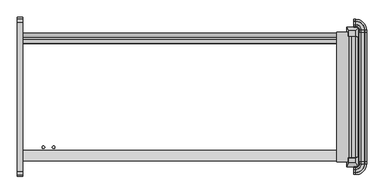
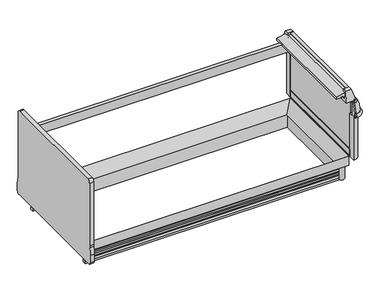
"""IFC4 building model written with IfcOpenShell, lengths in millimetres: proxy geometry."""

from ifc_helpers import new_model, si_unit, point, frame, frame_2d, origin, origin_with_axes, place, context, project, spatial, polyline, circle_curve, ellipse_curve, trimmed, segment, composite_curve, outline, extrude, faceted_brep, source, transform, mapped, element, save
from ifc_brep_helpers import plane_surface, cylinder_surface, revolved_surface, advanced_brep


def mechanical_equipment_1709b1f6(model_context):
    return source(origin(), model_context, "Body", "SolidModel", [
        faceted_brep([(2447.2225341, -1407.9898987, 887.830185), (2447.2225341, -1369.8898987, 887.830185), (2396.4225341, -1369.8898987, 887.830185), (2396.4225341, -1407.9898987, 887.830185), (2473.5736504, -1434.8571273, 789.5616491), (2385.8530658, -1434.8571273, 789.5616491), (2385.8530658, -1361.5806673, 789.5616491), (2473.5736504, -1361.5806673, 789.5616491)], [[[0, 1, 2, 3]], [[4, 5, 6, 7]], [[5, 4, 0, 3]], [[6, 5, 3, 2]], [[7, 6, 2, 1]], [[4, 7, 1, 0]]]),
        advanced_brep(
        [(2517.0448888, -441.4213458, 685.0123617), (2515.3991151, -441.4213458, 652.3000491), (2517.0448888, -427.271097, 685.0123617), (2515.3991151, -427.271097, 652.3000491), (2453.0679207, -364.9399026, 652.3000491), (2453.0679207, -363.2941289, 685.0123617), (2438.4, -363.2941289, 685.0123617), (2438.4, -364.9399026, 652.3000491)],
        [
            (0, 1),
            (1, 0, circle_curve(frame((2515.676553, -441.4213458, 668.6836472), z_axis=(0.0, -1.0, 0.0), x_axis=(-1.0, 0.0, 0.0)), 16.385947)),
            (0, 2),
            (2, 3),
            (3, 1),
            (3, 2, circle_curve(frame((2515.676553, -427.271097, 668.6836472), z_axis=(0.0, -1.0, 0.0), x_axis=(-1.0, 0.0, 0.0)), 16.385947)),
            (4, 3, circle_curve(frame((2453.0679207, -427.271097, 652.3000491), z_axis=(0.0, 0.0, -1.0), x_axis=(1.0, 0.0, 0.0)), 62.3311944)),
            (2, 5, circle_curve(frame((2453.0679207, -427.271097, 685.0123617), z_axis=(0.0, 0.0, 1.0), x_axis=(1.0, 0.0, 0.0)), 63.9769681)),
            (5, 4),
            (4, 5, circle_curve(frame((2453.0679207, -364.6624647, 668.6836472), z_axis=(1.0, 0.0, 0.0), x_axis=(0.0, -1.0, 0.0)), 16.385947)),
            (6, 7, circle_curve(frame((2438.4, -364.6624647, 668.6836472), z_axis=(-1.0, 0.0, 0.0), x_axis=(0.0, -1.0, 0.0)), 16.385947)),
            (7, 6),
            (5, 6),
            (7, 4),
        ],
        [
            plane_surface(frame((2532.0625, -441.4213458, 0.0), z_axis=(0.0, -1.0, 0.0), x_axis=(0.0, 0.0, 1.0))),
            plane_surface(frame((2517.0448888, -441.4213458, 685.0123617), z_axis=(-0.9987368228727785, 0.0, 0.05024697640642828), x_axis=(0.0, 1.0, 0.0))),
            cylinder_surface(frame((2515.676553, -441.4213458, 668.6836472), z_axis=(0.0, -1.0, 0.0), x_axis=(-1.0, 0.0, 0.0)), 16.385947),
            revolved_surface(polyline([(2517.0448888, -427.271097, 685.0123617), (2515.3991151, -427.271097, 652.3000491)]), (2453.0679207, -427.271097, 0.0), (0.0, 0.0, 1.0)),
            revolved_surface(trimmed(ellipse_curve(frame((2515.676553, -427.271097, 668.6836472), z_axis=(0.0, -1.0, 0.0), x_axis=(-1.0, 0.0, 0.0)), 16.385947, 16.385947), [point((2515.3991151, -427.271097, 652.3000491))], [point((2517.0448888, -427.271097, 685.0123617))], True, "CARTESIAN"), (2453.0679207, -427.271097, 0.0), (0.0, 0.0, 1.0)),
            plane_surface(frame((2438.4, -348.2765176, 0.0), z_axis=(-1.0, 0.0, 0.0), x_axis=(0.0, 0.0, 1.0))),
            plane_surface(frame((2453.0679207, -363.2941289, 685.0123617), z_axis=(0.0, -0.9987368228727785, 0.05024697640642828), x_axis=(-1.0, 0.0, 0.0))),
            cylinder_surface(frame((2453.0679207, -364.6624647, 668.6836472), z_axis=(1.0, 0.0, 0.0), x_axis=(0.0, -1.0, 0.0)), 16.385947),
        ],
        [
            (0, [[1, 2]]),
            (1, [[-1, 3, 4, 5]]),
            (2, [[-2, -5, 6, -3]]),
            (3, [[7, -4, 8, 9]]),
            (4, [[-8, -6, -7, 10]]),
            (5, [[11, 12]]),
            (6, [[-9, 13, -12, 14]]),
            (7, [[-10, -14, -11, -13]]),
        ],
    ),
        extrude(outline(composite_curve([segment(polyline([(2438.4, -441.4213458), (2438.4, -380.4372292)]), True, "CONTINUOUS"), segment(trimmed(circle_curve(frame_2d((2438.4, -441.4213458)), 60.9841166), [point((2438.4, -380.4372292))], [point((2499.3841166, -441.4213458))], False, "CARTESIAN"), True, "CONTINUOUS"), segment(polyline([(2499.3841166, -441.4213458), (2438.4, -441.4213458)]), True, "CONTINUOUS")], self_intersect=False)), frame((0.0, 0.0, 226.1000374), z_axis=(0.0, 0.0, 1.0), x_axis=(1.0, 0.0, 0.0)), (0.0, 0.0, 1.0), 424.6252116),
        advanced_brep(
        [(2479.4624683, -441.4213458, 789.5616491), (2466.694269, -441.4213458, 789.5616491), (2478.3930904, -441.4213458, 752.5993877), (2478.3930904, -441.4213458, 650.7252491), (2513.8243151, -441.4213458, 650.7252491), (2515.3991151, -441.4213458, 652.3000491), (2517.0448888, -441.4213458, 685.0123617), (2493.8738542, -441.4213458, 780.3445453), (2479.4624683, -427.271097, 789.5616491), (2453.0679207, -400.8765493, 789.5616491), (2438.4, -400.8765493, 789.5616491), (2438.4, -413.6447486, 789.5616491), (2453.0679207, -413.6447486, 789.5616491), (2466.694269, -427.271097, 789.5616491), (2478.3930904, -427.271097, 752.5993877), (2478.3930904, -427.271097, 650.7252491), (2453.0679207, -401.9459272, 650.7252491), (2438.4, -401.9459272, 650.7252491), (2438.4, -366.5147026, 650.7252491), (2453.0679207, -366.5147026, 650.7252491), (2513.8243151, -427.271097, 650.7252491), (2515.3991151, -427.271097, 652.3000491), (2517.0448888, -427.271097, 685.0123617), (2493.8738542, -427.271097, 780.3445453), (2438.4, -386.4651634, 780.3445453), (2438.4, -363.2941289, 685.0123617), (2438.4, -364.9399026, 652.3000491), (2438.4, -401.9459272, 752.5993877), (2453.0679207, -401.9459272, 752.5993877), (2453.0679207, -364.9399026, 652.3000491), (2453.0679207, -363.2941289, 685.0123617), (2453.0679207, -386.4651634, 780.3445453)],
        [
            (0, 1),
            (1, 2),
            (2, 3),
            (3, 4),
            (4, 5),
            (5, 6),
            (6, 7, circle_curve(frame((2263.2916802, -441.4213458, 673.8182058), z_axis=(0.0, -1.0, 0.0), x_axis=(-1.0, 0.0, 0.0)), 254.0)),
            (7, 0, circle_curve(frame((2479.4624683, -441.4213458, 773.6866491), z_axis=(0.0, -1.0, 0.0), x_axis=(-1.0, 0.0, 0.0)), 15.875)),
            (0, 8),
            (8, 9, circle_curve(frame((2453.0679207, -427.271097, 789.5616491), z_axis=(0.0, 0.0, 1.0), x_axis=(1.0, 0.0, 0.0)), 26.3945477)),
            (9, 10),
            (10, 11),
            (11, 12),
            (12, 13, circle_curve(frame((2453.0679207, -427.271097, 789.5616491), z_axis=(0.0, 0.0, -1.0), x_axis=(1.0, 0.0, 0.0)), 13.6263483)),
            (13, 1),
            (13, 14),
            (14, 2),
            (14, 15),
            (15, 3),
            (15, 16, circle_curve(frame((2453.0679207, -427.271097, 650.7252491), z_axis=(0.0, 0.0, 1.0), x_axis=(1.0, 0.0, 0.0)), 25.3251698)),
            (16, 17),
            (17, 18),
            (18, 19),
            (19, 20, circle_curve(frame((2453.0679207, -427.271097, 650.7252491), z_axis=(0.0, 0.0, -1.0), x_axis=(1.0, 0.0, 0.0)), 60.7563944)),
            (20, 4),
            (20, 21),
            (21, 5),
            (21, 22),
            (22, 6),
            (22, 23, circle_curve(frame((2263.2916802, -427.271097, 673.8182058), z_axis=(0.0, -1.0, 0.0), x_axis=(-1.0, 0.0, 0.0)), 254.0)),
            (23, 7),
            (23, 8, circle_curve(frame((2479.4624683, -427.271097, 773.6866491), z_axis=(0.0, -1.0, 0.0), x_axis=(-1.0, 0.0, 0.0)), 15.875)),
            (10, 24, circle_curve(frame((2438.4, -400.8765493, 773.6866491), z_axis=(-1.0, 0.0, 0.0), x_axis=(0.0, -1.0, 0.0)), 15.875)),
            (24, 25, circle_curve(frame((2438.4, -617.0473375, 673.8182058), z_axis=(-1.0, 0.0, 0.0), x_axis=(0.0, -1.0, 0.0)), 254.0)),
            (25, 26),
            (26, 18),
            (17, 27),
            (27, 11),
            (28, 14, circle_curve(frame((2453.0679207, -427.271097, 752.5993877), z_axis=(0.0, 0.0, -1.0), x_axis=(1.0, 0.0, 0.0)), 25.3251698)),
            (12, 28),
            (28, 16),
            (29, 21, circle_curve(frame((2453.0679207, -427.271097, 652.3000491), z_axis=(0.0, 0.0, -1.0), x_axis=(1.0, 0.0, 0.0)), 62.3311944)),
            (19, 29),
            (30, 22, circle_curve(frame((2453.0679207, -427.271097, 685.0123617), z_axis=(0.0, 0.0, -1.0), x_axis=(1.0, 0.0, 0.0)), 63.9769681)),
            (29, 30),
            (31, 23, circle_curve(frame((2453.0679207, -427.271097, 780.3445453), z_axis=(0.0, 0.0, -1.0), x_axis=(1.0, 0.0, 0.0)), 40.8059336)),
            (30, 31, circle_curve(frame((2453.0679207, -617.0473375, 673.8182058), z_axis=(1.0, 0.0, 0.0), x_axis=(0.0, -1.0, 0.0)), 254.0)),
            (31, 9, circle_curve(frame((2453.0679207, -400.8765493, 773.6866491), z_axis=(1.0, 0.0, 0.0), x_axis=(0.0, -1.0, 0.0)), 15.875)),
            (27, 28),
            (26, 29),
            (25, 30),
            (24, 31),
        ],
        [
            plane_surface(frame((2532.0625, -441.4213458, 0.0), z_axis=(0.0, -1.0, 0.0), x_axis=(0.0, 0.0, 1.0))),
            plane_surface(frame((2479.4624683, -441.4213458, 789.5616491), z_axis=(0.0, 0.0, 1.0), x_axis=(0.0, 1.0, 0.0))),
            plane_surface(frame((2466.694269, -441.4213458, 789.5616491), z_axis=(-0.9533859746647335, 0.0, -0.3017535141677331), x_axis=(0.0, 1.0, 0.0))),
            plane_surface(frame((2478.3930904, -441.4213458, 752.5993877), z_axis=(-1.0, 0.0, 0.0), x_axis=(0.0, 1.0, 0.0))),
            plane_surface(frame((2499.9051151, -441.4213458, 650.7252491), z_axis=(0.0, 0.0, -1.0), x_axis=(0.0, 1.0, 0.0))),
            plane_surface(frame((2513.8243151, -441.4213458, 650.7252491), z_axis=(0.7071067811865779, 0.0, -0.7071067811865172), x_axis=(0.0, 1.0, 0.0))),
            plane_surface(frame((2515.3991151, -441.4213458, 652.3000491), z_axis=(0.9987368228727792, 0.0, -0.050246976406415636), x_axis=(0.0, 1.0, 0.0))),
            cylinder_surface(frame((2263.2916802, -441.4213458, 673.8182058), z_axis=(0.0, -1.0, 0.0), x_axis=(-1.0, 0.0, 0.0)), 254.0),
            cylinder_surface(frame((2479.4624683, -441.4213458, 773.6866491), z_axis=(0.0, -1.0, 0.0), x_axis=(-1.0, 0.0, 0.0)), 15.875),
            plane_surface(frame((2438.4, -348.2765176, 0.0), z_axis=(-1.0, 0.0, 0.0), x_axis=(0.0, 0.0, 1.0))),
            revolved_surface(polyline([(2466.694269, -427.271097, 789.5616491), (2478.3930904, -427.271097, 752.5993877)]), (2453.0679207, -427.271097, 0.0), (0.0, 0.0, 1.0)),
            revolved_surface(polyline([(2478.3930904999997, -427.271097, 752.5993877), (2478.3930904999997, -427.271097, 650.7252491)]), (2453.0679207, -427.271097, 0.0), (0.0, 0.0, 1.0)),
            revolved_surface(polyline([(2513.8243151, -427.271097, 650.7252491), (2515.3991151, -427.271097, 652.3000491)]), (2453.0679207, -427.271097, 0.0), (0.0, 0.0, 1.0)),
            revolved_surface(polyline([(2515.3991151, -427.271097, 652.3000491), (2517.0448888, -427.271097, 685.0123617)]), (2453.0679207, -427.271097, 0.0), (0.0, 0.0, 1.0)),
            revolved_surface(trimmed(ellipse_curve(frame((2263.2916802, -427.271097, 673.8182058), z_axis=(0.0, -1.0, 0.0), x_axis=(-1.0, 0.0, 0.0)), 254.0, 254.0), [point((2517.0448888, -427.271097, 685.0123617))], [point((2493.8738542, -427.271097, 780.3445453))], True, "CARTESIAN"), (2453.0679207, -427.271097, 0.0), (0.0, 0.0, 1.0)),
            revolved_surface(trimmed(ellipse_curve(frame((2479.4624683, -427.271097, 773.6866491), z_axis=(0.0, -1.0, 0.0), x_axis=(-1.0, 0.0, 0.0)), 15.875, 15.875), [point((2493.8738542, -427.271097, 780.3445453))], [point((2479.4624683, -427.271097, 789.5616491))], True, "CARTESIAN"), (2453.0679207, -427.271097, 0.0), (0.0, 0.0, 1.0)),
            plane_surface(frame((2453.0679207, -413.6447486, 789.5616491), z_axis=(0.0, -0.9533859746647335, -0.3017535141677331), x_axis=(-1.0, 0.0, 0.0))),
            plane_surface(frame((2453.0679207, -401.9459272, 752.5993877), z_axis=(0.0, -1.0, 0.0), x_axis=(-1.0, 0.0, 0.0))),
            plane_surface(frame((2453.0679207, -366.5147026, 650.7252491), z_axis=(0.0, 0.7071067811865779, -0.7071067811865172), x_axis=(-1.0, 0.0, 0.0))),
            plane_surface(frame((2453.0679207, -364.9399026, 652.3000491), z_axis=(0.0, 0.9987368228727792, -0.050246976406415636), x_axis=(-1.0, 0.0, 0.0))),
            cylinder_surface(frame((2453.0679207, -617.0473375, 673.8182058), z_axis=(1.0, 0.0, 0.0), x_axis=(0.0, -1.0, 0.0)), 254.0),
            cylinder_surface(frame((2453.0679207, -400.8765493, 773.6866491), z_axis=(1.0, 0.0, 0.0), x_axis=(0.0, -1.0, 0.0)), 15.875),
        ],
        [
            (0, [[1, 2, 3, 4, 5, 6, 7, 8]]),
            (1, [[-1, 9, 10, 11, 12, 13, 14, 15]]),
            (2, [[-2, -15, 16, 17]]),
            (3, [[-3, -17, 18, 19]]),
            (4, [[-19, 20, 21, 22, 23, 24, 25, -4]]),
            (5, [[-5, -25, 26, 27]]),
            (6, [[-6, -27, 28, 29]]),
            (7, [[-7, -29, 30, 31]]),
            (8, [[-8, -31, 32, -9]]),
            (9, [[33, 34, 35, 36, -22, 37, 38, -12]]),
            (10, [[39, -16, -14, 40]]),
            (11, [[-20, -18, -39, 41]]),
            (12, [[42, -26, -24, 43]]),
            (13, [[44, -28, -42, 45]]),
            (14, [[46, -30, -44, 47]]),
            (15, [[-10, -32, -46, 48]]),
            (16, [[-40, -13, -38, 49]]),
            (17, [[-41, -49, -37, -21]]),
            (18, [[-43, -23, -36, 50]]),
            (19, [[-45, -50, -35, 51]]),
            (20, [[-47, -51, -34, 52]]),
            (21, [[-48, -52, -33, -11]]),
        ],
    ),
        faceted_brep([(2447.2225341, -433.0243559, 887.830185), (2396.4225341, -433.0243559, 887.830185), (2396.4225341, -471.1243559, 887.830185), (2447.2225341, -471.1243559, 887.830185), (2473.5736504, -406.1571273, 789.5616491), (2473.5736504, -479.4335873, 789.5616491), (2385.8530658, -479.4335873, 789.5616491), (2385.8530658, -406.1571273, 789.5616491)], [[[0, 1, 2, 3]], [[4, 5, 6, 7]], [[4, 7, 1, 0]], [[7, 6, 2, 1]], [[6, 5, 3, 2]], [[5, 4, 0, 3]]]),
        extrude(outline(composite_curve([segment(trimmed(circle_curve(frame_2d((2386.3826477, -1346.327275)), 30.3864225), [point((2402.2253577, -1320.3976931))], [point((2360.4530658, -1362.169985))], False, "CARTESIAN"), True, "CONTINUOUS"), segment(polyline([(2360.4530658, -1362.169985), (2402.2253577, -1320.3976931)]), True, "CONTINUOUS")], self_intersect=False)), origin_with_axes(), (0.0, 0.0, 1.0), 134.9377392),
        extrude(outline(composite_curve([segment(polyline([(2402.2253577, -520.6165615), (2360.4530658, -478.8442696)]), True, "CONTINUOUS"), segment(trimmed(circle_curve(frame_2d((2386.3826477, -494.6869796)), 30.3864225), [point((2360.4530658, -478.8442696))], [point((2402.2253577, -520.6165615))], False, "CARTESIAN"), True, "CONTINUOUS")], self_intersect=False)), origin_with_axes(), (0.0, 0.0, 1.0), 134.9377392),
        faceted_brep([(0.0, -1315.4009706, 134.9377392), (0.0, -1391.2014814, 134.9377392), (0.0, -1391.2014814, 226.1000374), (2355.4563433, -1315.4009706, 134.9377392), (2355.4563433, -525.6132839, 134.9377392), (0.0, -525.6132839, 134.9377392), (0.0, -449.8127732, 134.9377392), (2431.2568541, -449.8127732, 134.9377392), (2431.2568541, -1391.2014814, 134.9377392), (2431.2568541, -1391.2014814, 226.1000374), (2431.2568541, -449.8127732, 226.1000374), (0.0, -449.8127732, 226.1000374)], [[[0, 1, 2]], [[1, 0, 3, 4, 5, 6, 7, 8]], [[2, 1, 8, 9]], [[0, 2, 9, 3]], [[9, 8, 7, 10]], [[3, 9, 10, 4]], [[5, 11, 6]], [[10, 7, 6, 11]], [[4, 10, 11, 5]]]),
        advanced_brep(
        [(0.0, -1362.169985, 0.0), (0.0, -1362.169985, 22.738034), (0.0, -1348.552182, 32.3453469), (0.0, -1345.063085, 43.510607), (0.0, -1355.7002802, 41.3527842), (0.0, -1357.6941802, 41.3527842), (0.0, -1357.6941802, 54.0527842), (0.0, -1348.552182, 63.31753), (0.0, -1345.063085, 74.4827901), (0.0, -1355.7002802, 72.3249673), (0.0, -1357.6941802, 72.3249673), (0.0, -1357.6941802, 85.0249673), (0.0, -1348.552182, 94.2897131), (0.0, -1345.063085, 105.3285212), (0.0, -1355.7002802, 103.2973373), (0.0, -1357.6941802, 103.2973373), (0.0, -1357.6941802, 115.9973373), (0.0, -1345.063085, 128.6971504), (0.0, -1345.063085, 134.9377392), (0.0, -1329.6202359, 134.9377392), (0.0, -1329.6202359, 0.0), (2402.2253577, -1362.169985, 0.0), (2402.2253577, -1362.169985, 22.738034), (2388.6075547, -1348.552182, 32.3453469), (2385.1184577, -1345.063085, 43.510607), (2395.7556529, -1355.7002802, 41.3527842), (2395.7556529, -485.3139744, 41.3527842), (0.0, -485.3139744, 41.3527842), (0.0, -483.3200744, 41.3527842), (2397.7495529, -483.3200744, 41.3527842), (2397.7495529, -1357.6941802, 41.3527842), (2397.7495529, -1357.6941802, 54.0527842), (2388.6075547, -1348.552182, 63.31753), (2385.1184577, -1345.063085, 74.4827901), (2395.7556529, -1355.7002802, 72.3249673), (2395.7556529, -485.3139744, 72.3249673), (0.0, -485.3139744, 72.3249673), (0.0, -483.3200744, 72.3249673), (2397.7495529, -483.3200744, 72.3249673), (2397.7495529, -1357.6941802, 72.3249673), (2397.7495529, -1357.6941802, 85.0249673), (2388.6075547, -1348.552182, 94.2897131), (2385.1184577, -1345.063085, 105.3285212), (2395.7556529, -1355.7002802, 103.2973373), (2395.7556529, -485.3139744, 103.2973373), (0.0, -485.3139744, 103.2973373), (0.0, -483.3200744, 103.2973373), (2397.7495529, -483.3200744, 103.2973373), (2397.7495529, -1357.6941802, 103.2973373), (2397.7495529, -1357.6941802, 115.9973373), (2385.1184577, -1345.063085, 128.6971504), (2385.1184577, -1345.063085, 134.9377392), (2385.1184577, -495.9511696, 134.9377392), (0.0, -495.9511696, 134.9377392), (0.0, -511.3940187, 134.9377392), (2369.6756086, -511.3940187, 134.9377392), (2369.6756086, -1329.6202359, 134.9377392), (2369.6756086, -1329.6202359, 0.0), (2369.6756086, -511.3940187, 0.0), (0.0, -511.3940187, 0.0), (0.0, -478.8442696, 0.0), (2402.2253577, -478.8442696, 0.0), (2402.2253577, -478.8442696, 22.738034), (2388.6075547, -492.4620726, 32.3453469), (2385.1184577, -495.9511696, 43.510607), (2397.7495529, -483.3200744, 54.0527842), (2388.6075547, -492.4620726, 63.31753), (2385.1184577, -495.9511696, 74.4827901), (2397.7495529, -483.3200744, 85.0249673), (2388.6075547, -492.4620726, 94.2897131), (2385.1184577, -495.9511696, 105.3285212), (2397.7495529, -483.3200744, 115.9973373), (2385.1184577, -495.9511696, 128.6971504), (0.0, -495.9511696, 128.6971504), (0.0, -483.3200744, 115.9973373), (0.0, -495.9511696, 105.3285212), (0.0, -492.4620726, 94.2897131), (0.0, -483.3200744, 85.0249673), (0.0, -495.9511696, 74.4827901), (0.0, -492.4620726, 63.31753), (0.0, -483.3200744, 54.0527842), (0.0, -495.9511696, 43.510607), (0.0, -492.4620726, 32.3453469), (0.0, -478.8442696, 22.738034)],
        [
            (0, 1),
            (1, 2, circle_curve(frame((0.0, -1361.6341614, 36.4334108), z_axis=(1.0, 0.0, 0.0), x_axis=(0.0, 1.0, 0.0)), 13.7058546)),
            (2, 3),
            (3, 4),
            (4, 5),
            (5, 6),
            (6, 7, circle_curve(frame((0.0, -1362.112048, 67.5549314), z_axis=(1.0, 0.0, 0.0), x_axis=(0.0, 1.0, 0.0)), 14.2065314)),
            (7, 8),
            (8, 9),
            (9, 10),
            (10, 11),
            (11, 12, circle_curve(frame((0.0, -1362.1844233, 98.598531), z_axis=(1.0, 0.0, 0.0), x_axis=(0.0, 1.0, 0.0)), 14.2969897)),
            (12, 13),
            (13, 14),
            (14, 15),
            (15, 16),
            (16, 17, circle_curve(frame((0.0, -1357.763085, 128.6971504), z_axis=(1.0, 0.0, 0.0), x_axis=(0.0, 1.0, 0.0)), 12.7)),
            (17, 18),
            (18, 19),
            (19, 20),
            (20, 0),
            (0, 21),
            (21, 22),
            (22, 1),
            (22, 23, ellipse_curve(frame((2401.6895341, -1361.6341614, 36.4334108), z_axis=(0.7071067811865475, 0.7071067811865475, 0.0), x_axis=(0.7071067811865476, -0.7071067811865474, 0.0)), 19.3830055, 13.7058546)),
            (23, 2),
            (23, 24),
            (24, 3),
            (24, 25),
            (25, 4),
            (25, 26),
            (26, 27),
            (27, 28),
            (28, 29),
            (29, 30),
            (30, 5),
            (30, 31),
            (31, 6),
            (31, 32, ellipse_curve(frame((2402.1674207, -1362.112048, 67.5549314), z_axis=(0.7071067811865475, 0.7071067811865475, 0.0), x_axis=(0.7071067811865476, -0.7071067811865474, 0.0)), 20.0910694, 14.2065314)),
            (32, 7),
            (32, 33),
            (33, 8),
            (33, 34),
            (34, 9),
            (34, 35),
            (35, 36),
            (36, 37),
            (37, 38),
            (38, 39),
            (39, 10),
            (39, 40),
            (40, 11),
            (40, 41, ellipse_curve(frame((2402.239796, -1362.1844233, 98.598531), z_axis=(0.7071067811865475, 0.7071067811865475, 0.0), x_axis=(0.7071067811865476, -0.7071067811865474, 0.0)), 20.2189967, 14.2969897)),
            (41, 12),
            (41, 42),
            (42, 13),
            (42, 43),
            (43, 14),
            (43, 44),
            (44, 45),
            (45, 46),
            (46, 47),
            (47, 48),
            (48, 15),
            (48, 49),
            (49, 16),
            (49, 50, ellipse_curve(frame((2397.8184577, -1357.763085, 128.6971504), z_axis=(0.7071067811865475, 0.7071067811865475, 0.0), x_axis=(0.7071067811865476, -0.7071067811865474, 0.0)), 17.9605122, 12.7)),
            (50, 17),
            (50, 51),
            (51, 18),
            (51, 52),
            (52, 53),
            (53, 54),
            (54, 55),
            (55, 56),
            (56, 19),
            (56, 57),
            (57, 20),
            (57, 58),
            (58, 59),
            (59, 60),
            (60, 61),
            (61, 21),
            (61, 62),
            (62, 22),
            (62, 63, ellipse_curve(frame((2401.6895341, -479.3800932, 36.4334108), z_axis=(-0.7071067811865475, 0.7071067811865475, 0.0), x_axis=(0.7071067811865474, 0.7071067811865476, 0.0)), 19.3830055, 13.7058546)),
            (63, 23),
            (63, 64),
            (64, 24),
            (64, 26),
            (29, 65),
            (65, 31),
            (65, 66, ellipse_curve(frame((2402.1674207, -478.9022066, 67.5549314), z_axis=(-0.7071067811865475, 0.7071067811865475, 0.0), x_axis=(0.7071067811865474, 0.7071067811865476, 0.0)), 20.0910694, 14.2065314)),
            (66, 32),
            (66, 67),
            (67, 33),
            (67, 35),
            (38, 68),
            (68, 40),
            (68, 69, ellipse_curve(frame((2402.239796, -478.8298313, 98.598531), z_axis=(-0.7071067811865475, 0.7071067811865475, 0.0), x_axis=(0.7071067811865474, 0.7071067811865476, 0.0)), 20.2189967, 14.2969897)),
            (69, 41),
            (69, 70),
            (70, 42),
            (70, 44),
            (47, 71),
            (71, 49),
            (71, 72, ellipse_curve(frame((2397.8184577, -483.2511696, 128.6971504), z_axis=(-0.7071067811865475, 0.7071067811865475, 0.0), x_axis=(0.7071067811865474, 0.7071067811865476, 0.0)), 17.9605122, 12.7)),
            (72, 50),
            (72, 52),
            (55, 58),
            (59, 54),
            (53, 73),
            (73, 74, circle_curve(frame((0.0, -483.2511696, 128.6971504), z_axis=(1.0, 0.0, 0.0), x_axis=(0.0, -1.0, 0.0)), 12.7)),
            (74, 46),
            (45, 75),
            (75, 76),
            (76, 77, circle_curve(frame((0.0, -478.8298313, 98.598531), z_axis=(1.0, 0.0, 0.0), x_axis=(0.0, -1.0, 0.0)), 14.2969897)),
            (77, 37),
            (36, 78),
            (78, 79),
            (79, 80, circle_curve(frame((0.0, -478.9022066, 67.5549314), z_axis=(1.0, 0.0, 0.0), x_axis=(0.0, -1.0, 0.0)), 14.2065314)),
            (80, 28),
            (27, 81),
            (81, 82),
            (82, 83, circle_curve(frame((0.0, -479.3800932, 36.4334108), z_axis=(1.0, 0.0, 0.0), x_axis=(0.0, -1.0, 0.0)), 13.7058546)),
            (83, 60),
            (83, 62),
            (82, 63),
            (81, 64),
            (80, 65),
            (79, 66),
            (78, 67),
            (77, 68),
            (76, 69),
            (75, 70),
            (74, 71),
            (73, 72),
        ],
        [
            plane_surface(frame((0.0, -1492.0071273, 0.0), z_axis=(-1.0, 0.0, 0.0), x_axis=(0.0, 0.0, 1.0))),
            plane_surface(frame((0.0, -1362.169985, 0.0), z_axis=(0.0, -1.0, 0.0), x_axis=(1.0, 0.0, 0.0))),
            revolved_surface(polyline([(2415.395388728826, -1347.9283068, 36.4334108), (0.0, -1347.9283068, 36.4334108)]), (0.0, -1361.6341614, 36.4334108), (1.0, 0.0, 0.0)),
            plane_surface(frame((0.0, -1348.552182, 32.3453469), z_axis=(0.0, -0.9544811145040085, 0.29827135641087943), x_axis=(1.0, 0.0, 0.0))),
            plane_surface(frame((0.0, -1345.063085, 43.510607), z_axis=(0.0, 0.19880707887695687, -0.9800386448443814), x_axis=(1.0, 0.0, 0.0))),
            plane_surface(frame((0.0, -1355.7002802, 41.3527842), z_axis=(0.0, 0.0, -1.0), x_axis=(1.0, 0.0, 0.0))),
            plane_surface(frame((0.0, -1357.6941802, 41.3527842), z_axis=(0.0, -1.0, 0.0), x_axis=(1.0, 0.0, 0.0))),
            revolved_surface(polyline([(2416.3739521140296, -1347.9055166, 67.5549314), (0.0, -1347.9055166, 67.5549314)]), (0.0, -1362.112048, 67.5549314), (1.0, 0.0, 0.0)),
            plane_surface(frame((0.0, -1348.552182, 63.31753), z_axis=(0.0, -0.9544811145040126, 0.2982713564108663), x_axis=(1.0, 0.0, 0.0))),
            plane_surface(frame((0.0, -1345.063085, 74.4827901), z_axis=(0.0, 0.19880707887702875, -0.9800386448443668), x_axis=(1.0, 0.0, 0.0))),
            plane_surface(frame((0.0, -1355.7002802, 72.3249673), z_axis=(0.0, 0.0, -1.0), x_axis=(1.0, 0.0, 0.0))),
            plane_surface(frame((0.0, -1357.6941802, 72.3249673), z_axis=(0.0, -1.0, 0.0), x_axis=(1.0, 0.0, 0.0))),
            revolved_surface(polyline([(2416.5367856753583, -1347.8874336, 98.598531), (0.0, -1347.8874336, 98.598531)]), (0.0, -1362.1844233, 98.598531), (1.0, 0.0, 0.0)),
            plane_surface(frame((0.0, -1348.552182, 94.2897131), z_axis=(0.0, -0.9535043111328473, 0.3013793766186971), x_axis=(1.0, 0.0, 0.0))),
            plane_surface(frame((0.0, -1345.063085, 105.3285212), z_axis=(0.0, 0.18756221551803512, -0.982252724765865), x_axis=(1.0, 0.0, 0.0))),
            plane_surface(frame((0.0, -1355.7002802, 103.2973373), z_axis=(0.0, 0.0, -1.0), x_axis=(1.0, 0.0, 0.0))),
            plane_surface(frame((0.0, -1357.6941802, 103.2973373), z_axis=(0.0, -1.0, 0.0), x_axis=(1.0, 0.0, 0.0))),
            revolved_surface(polyline([(2410.518457670204, -1345.063085, 128.6971504), (0.0, -1345.063085, 128.6971504)]), (0.0, -1357.763085, 128.6971504), (1.0, 0.0, 0.0)),
            plane_surface(frame((0.0, -1345.063085, 128.6971504), z_axis=(0.0, -1.0, 0.0), x_axis=(1.0, 0.0, 0.0))),
            plane_surface(frame((0.0, -1345.063085, 134.9377392), z_axis=(0.0, 0.0, 1.0), x_axis=(1.0, 0.0, 0.0))),
            plane_surface(frame((0.0, -1329.6202359, 134.9377392), z_axis=(0.0, 1.0, 0.0), x_axis=(1.0, 0.0, 0.0))),
            plane_surface(frame((0.0, -1329.6202359, 0.0), z_axis=(0.0, 0.0, -1.0), x_axis=(1.0, 0.0, 0.0))),
            plane_surface(frame((2402.2253577, -1362.169985, 0.0), z_axis=(1.0, 0.0, 0.0), x_axis=(0.0, 1.0, 0.0))),
            revolved_surface(polyline([(2387.9836795, -465.6742385711739, 36.4334108), (2387.9836795, -1375.340016028826, 36.4334108)]), (2401.6895341, -1492.0071273, 36.4334108), (0.0, 1.0, 0.0)),
            plane_surface(frame((2388.6075547, -1348.552182, 32.3453469), z_axis=(0.9544811145040085, 0.0, 0.29827135641087943), x_axis=(0.0, 1.0, 0.0))),
            plane_surface(frame((2385.1184577, -1345.063085, 43.510607), z_axis=(-0.19880707887695687, 0.0, -0.9800386448443814), x_axis=(0.0, 1.0, 0.0))),
            plane_surface(frame((2397.7495529, -1357.6941802, 41.3527842), z_axis=(1.0, 0.0, 0.0), x_axis=(0.0, 1.0, 0.0))),
            revolved_surface(polyline([(2387.9608893, -464.69567518597046, 67.5549314), (2387.9608893, -1376.3185794140295, 67.5549314)]), (2402.1674207, -1492.0071273, 67.5549314), (0.0, 1.0, 0.0)),
            plane_surface(frame((2388.6075547, -1348.552182, 63.31753), z_axis=(0.9544811145040126, 0.0, 0.2982713564108663), x_axis=(0.0, 1.0, 0.0))),
            plane_surface(frame((2385.1184577, -1345.063085, 74.4827901), z_axis=(-0.19880707887702875, 0.0, -0.9800386448443668), x_axis=(0.0, 1.0, 0.0))),
            plane_surface(frame((2397.7495529, -1357.6941802, 72.3249673), z_axis=(1.0, 0.0, 0.0), x_axis=(0.0, 1.0, 0.0))),
            revolved_surface(polyline([(2387.9428063, -464.5328416246416, 98.598531), (2387.9428063, -1376.4814129753584, 98.598531)]), (2402.239796, -1492.0071273, 98.598531), (0.0, 1.0, 0.0)),
            plane_surface(frame((2388.6075547, -1348.552182, 94.2897131), z_axis=(0.9535043111328473, 0.0, 0.3013793766186971), x_axis=(0.0, 1.0, 0.0))),
            plane_surface(frame((2385.1184577, -1345.063085, 105.3285212), z_axis=(-0.18756221551803512, 0.0, -0.982252724765865), x_axis=(0.0, 1.0, 0.0))),
            plane_surface(frame((2397.7495529, -1357.6941802, 103.2973373), z_axis=(1.0, 0.0, 0.0), x_axis=(0.0, 1.0, 0.0))),
            revolved_surface(polyline([(2385.1184577000004, -470.5511696297963, 128.6971504), (2385.1184577000004, -1370.4630849702037, 128.6971504)]), (2397.8184577, -1492.0071273, 128.6971504), (0.0, 1.0, 0.0)),
            plane_surface(frame((2385.1184577, -1345.063085, 128.6971504), z_axis=(1.0, 0.0, 0.0), x_axis=(0.0, 1.0, 0.0))),
            plane_surface(frame((2369.6756086, -1329.6202359, 134.9377392), z_axis=(-1.0, 0.0, 0.0), x_axis=(0.0, 1.0, 0.0))),
            plane_surface(frame((0.0, -349.0071273, 0.0), z_axis=(-1.0, 0.0, 0.0), x_axis=(0.0, 0.0, 1.0))),
            plane_surface(frame((2402.2253577, -478.8442696, 0.0), z_axis=(0.0, 1.0, 0.0), x_axis=(-1.0, 0.0, 0.0))),
            revolved_surface(polyline([(0.0, -493.0859478, 36.4334108), (2415.395388728826, -493.0859478, 36.4334108)]), (2532.0625, -479.3800932, 36.4334108), (-1.0, 0.0, 0.0)),
            plane_surface(frame((2388.6075547, -492.4620726, 32.3453469), z_axis=(0.0, 0.9544811145040085, 0.29827135641087943), x_axis=(-1.0, 0.0, 0.0))),
            plane_surface(frame((2385.1184577, -495.9511696, 43.510607), z_axis=(0.0, -0.19880707887695687, -0.9800386448443814), x_axis=(-1.0, 0.0, 0.0))),
            plane_surface(frame((2397.7495529, -483.3200744, 41.3527842), z_axis=(0.0, 1.0, 0.0), x_axis=(-1.0, 0.0, 0.0))),
            revolved_surface(polyline([(0.0, -493.108738, 67.5549314), (2416.3739521140296, -493.108738, 67.5549314)]), (2532.0625, -478.9022066, 67.5549314), (-1.0, 0.0, 0.0)),
            plane_surface(frame((2388.6075547, -492.4620726, 63.31753), z_axis=(0.0, 0.9544811145040126, 0.2982713564108663), x_axis=(-1.0, 0.0, 0.0))),
            plane_surface(frame((2385.1184577, -495.9511696, 74.4827901), z_axis=(0.0, -0.19880707887702875, -0.9800386448443668), x_axis=(-1.0, 0.0, 0.0))),
            plane_surface(frame((2397.7495529, -483.3200744, 72.3249673), z_axis=(0.0, 1.0, 0.0), x_axis=(-1.0, 0.0, 0.0))),
            revolved_surface(polyline([(0.0, -493.126821, 98.598531), (2416.5367856753583, -493.126821, 98.598531)]), (2532.0625, -478.8298313, 98.598531), (-1.0, 0.0, 0.0)),
            plane_surface(frame((2388.6075547, -492.4620726, 94.2897131), z_axis=(0.0, 0.9535043111328473, 0.3013793766186971), x_axis=(-1.0, 0.0, 0.0))),
            plane_surface(frame((2385.1184577, -495.9511696, 105.3285212), z_axis=(0.0, -0.18756221551803512, -0.982252724765865), x_axis=(-1.0, 0.0, 0.0))),
            plane_surface(frame((2397.7495529, -483.3200744, 103.2973373), z_axis=(0.0, 1.0, 0.0), x_axis=(-1.0, 0.0, 0.0))),
            revolved_surface(polyline([(0.0, -495.9511696, 128.6971504), (2410.518457670204, -495.9511696, 128.6971504)]), (2532.0625, -483.2511696, 128.6971504), (-1.0, 0.0, 0.0)),
            plane_surface(frame((2385.1184577, -495.9511696, 128.6971504), z_axis=(0.0, 1.0, 0.0), x_axis=(-1.0, 0.0, 0.0))),
            plane_surface(frame((2369.6756086, -511.3940187, 134.9377392), z_axis=(0.0, -1.0, 0.0), x_axis=(-1.0, 0.0, 0.0))),
        ],
        [
            (0, [[1, 2, 3, 4, 5, 6, 7, 8, 9, 10, 11, 12, 13, 14, 15, 16, 17, 18, 19, 20, 21]]),
            (1, [[-1, 22, 23, 24]]),
            (2, [[-2, -24, 25, 26]]),
            (3, [[-3, -26, 27, 28]]),
            (4, [[-4, -28, 29, 30]]),
            (5, [[-5, -30, 31, 32, 33, 34, 35, 36]]),
            (6, [[-6, -36, 37, 38]]),
            (7, [[-7, -38, 39, 40]]),
            (8, [[-8, -40, 41, 42]]),
            (9, [[-9, -42, 43, 44]]),
            (10, [[-10, -44, 45, 46, 47, 48, 49, 50]]),
            (11, [[-11, -50, 51, 52]]),
            (12, [[-12, -52, 53, 54]]),
            (13, [[-13, -54, 55, 56]]),
            (14, [[-14, -56, 57, 58]]),
            (15, [[-15, -58, 59, 60, 61, 62, 63, 64]]),
            (16, [[-16, -64, 65, 66]]),
            (17, [[-17, -66, 67, 68]]),
            (18, [[-18, -68, 69, 70]]),
            (19, [[-19, -70, 71, 72, 73, 74, 75, 76]]),
            (20, [[-20, -76, 77, 78]]),
            (21, [[-21, -78, 79, 80, 81, 82, 83, -22]]),
            (22, [[-23, -83, 84, 85]]),
            (23, [[-25, -85, 86, 87]]),
            (24, [[-27, -87, 88, 89]]),
            (25, [[-29, -89, 90, -31]]),
            (26, [[-37, -35, 91, 92]]),
            (27, [[-39, -92, 93, 94]]),
            (28, [[-41, -94, 95, 96]]),
            (29, [[-43, -96, 97, -45]]),
            (30, [[-51, -49, 98, 99]]),
            (31, [[-53, -99, 100, 101]]),
            (32, [[-55, -101, 102, 103]]),
            (33, [[-57, -103, 104, -59]]),
            (34, [[-65, -63, 105, 106]]),
            (35, [[-67, -106, 107, 108]]),
            (36, [[-69, -108, 109, -71]]),
            (37, [[-77, -75, 110, -79]]),
            (38, [[-81, 111, -73, 112, 113, 114, -61, 115, 116, 117, 118, -47, 119, 120, 121, 122, -33, 123, 124, 125, 126]]),
            (39, [[-84, -82, -126, 127]]),
            (40, [[-86, -127, -125, 128]]),
            (41, [[-88, -128, -124, 129]]),
            (42, [[-90, -129, -123, -32]]),
            (43, [[-91, -34, -122, 130]]),
            (44, [[-93, -130, -121, 131]]),
            (45, [[-95, -131, -120, 132]]),
            (46, [[-97, -132, -119, -46]]),
            (47, [[-98, -48, -118, 133]]),
            (48, [[-100, -133, -117, 134]]),
            (49, [[-102, -134, -116, 135]]),
            (50, [[-104, -135, -115, -60]]),
            (51, [[-105, -62, -114, 136]]),
            (52, [[-107, -136, -113, 137]]),
            (53, [[-109, -137, -112, -72]]),
            (54, [[-110, -74, -111, -80]]),
        ],
    ),
        advanced_brep(
        [(2517.0448888, -1399.5929088, 685.0123617), (2515.3991151, -1399.5929088, 652.3000491), (2515.3991151, -1413.7431576, 652.3000491), (2517.0448888, -1413.7431576, 685.0123617), (2453.0679207, -1477.7201257, 685.0123617), (2453.0679207, -1476.074352, 652.3000491), (2438.4, -1477.7201257, 685.0123617), (2438.4, -1476.074352, 652.3000491)],
        [
            (0, 1, circle_curve(frame((2515.676553, -1399.5929088, 668.6836472), z_axis=(0.0, 1.0, 0.0), x_axis=(1.0, 0.0, 0.0)), 16.385947)),
            (1, 0),
            (1, 2),
            (2, 3),
            (3, 0),
            (3, 2, circle_curve(frame((2515.676553, -1413.7431576, 668.6836472), z_axis=(0.0, 1.0, 0.0), x_axis=(1.0, 0.0, 0.0)), 16.385947)),
            (4, 3, circle_curve(frame((2453.0679207, -1413.7431576, 685.0123617), z_axis=(0.0, 0.0, 1.0), x_axis=(1.0, 0.0, 0.0)), 63.9769681)),
            (2, 5, circle_curve(frame((2453.0679207, -1413.7431576, 652.3000491), z_axis=(0.0, 0.0, -1.0), x_axis=(1.0, 0.0, 0.0)), 62.3311944)),
            (5, 4),
            (4, 5, circle_curve(frame((2453.0679207, -1476.3517899, 668.6836472), z_axis=(1.0, 0.0, 0.0), x_axis=(0.0, -1.0, 0.0)), 16.385947)),
            (6, 7),
            (7, 6, circle_curve(frame((2438.4, -1476.3517899, 668.6836472), z_axis=(-1.0, 0.0, 0.0), x_axis=(0.0, -1.0, 0.0)), 16.385947)),
            (5, 7),
            (6, 4),
        ],
        [
            plane_surface(frame((2532.0625, -1399.5929088, 0.0), z_axis=(0.0, 1.0, 0.0), x_axis=(0.0, 0.0, 1.0))),
            plane_surface(frame((2515.3991151, -1399.5929088, 652.3000491), z_axis=(-0.9987368228727785, 0.0, 0.05024697640642828), x_axis=(0.0, -1.0, 0.0))),
            cylinder_surface(frame((2515.676553, -1399.5929088, 668.6836472), z_axis=(0.0, 1.0, 0.0), x_axis=(1.0, 0.0, 0.0)), 16.385947),
            revolved_surface(polyline([(2515.3991151, -1413.7431576, 652.3000491), (2517.0448888, -1413.7431576, 685.0123617)]), (2453.0679207, -1413.7431576, 0.0), (0.0, 0.0, -1.0)),
            revolved_surface(trimmed(ellipse_curve(frame((2515.676553, -1413.7431576, 668.6836472), z_axis=(0.0, 1.0, 0.0), x_axis=(1.0, 0.0, 0.0)), 16.385947, 16.385947), [point((2517.0448888, -1413.7431576, 685.0123617))], [point((2515.3991151, -1413.7431576, 652.3000491))], True, "CARTESIAN"), (2453.0679207, -1413.7431576, 0.0), (0.0, 0.0, -1.0)),
            plane_surface(frame((2438.4, -1492.737737, 0.0), z_axis=(-1.0, 0.0, 0.0), x_axis=(0.0, 0.0, 1.0))),
            plane_surface(frame((2453.0679207, -1476.074352, 652.3000491), z_axis=(0.0, 0.9987368228727785, 0.05024697640642828), x_axis=(-1.0, 0.0, 0.0))),
            cylinder_surface(frame((2453.0679207, -1476.3517899, 668.6836472), z_axis=(1.0, 0.0, 0.0), x_axis=(0.0, -1.0, 0.0)), 16.385947),
        ],
        [
            (0, [[1, 2]]),
            (1, [[-2, 3, 4, 5]]),
            (2, [[-1, -5, 6, -3]]),
            (3, [[7, -4, 8, 9]]),
            (4, [[-8, -6, -7, 10]]),
            (5, [[11, 12]]),
            (6, [[-9, 13, -11, 14]]),
            (7, [[-10, -14, -12, -13]]),
        ],
    ),
        extrude(outline(composite_curve([segment(polyline([(2438.4, -1399.5929088), (2499.9003787, -1399.5929088)]), True, "CONTINUOUS"), segment(trimmed(circle_curve(frame_2d((2444.6261195, -1404.3162274)), 55.4757016), [point((2499.9003787, -1399.5929088))], [point((2438.4, -1459.4414385))], False, "CARTESIAN"), True, "CONTINUOUS"), segment(polyline([(2438.4, -1459.4414385), (2438.4, -1399.5929088)]), True, "CONTINUOUS")], self_intersect=False)), frame((0.0, 0.0, 226.1000374), z_axis=(0.0, 0.0, 1.0), x_axis=(1.0, 0.0, 0.0)), (0.0, 0.0, 1.0), 424.6252116),
        advanced_brep(
        [(2479.4624683, -1399.5929088, 789.5616491), (2493.8738542, -1399.5929088, 780.3445453), (2517.0448888, -1399.5929088, 685.0123617), (2515.385946, -1399.5929088, 652.3000491), (2513.811146, -1399.5929088, 650.7252491), (2478.3799213, -1399.5929088, 650.7252491), (2478.3799213, -1399.5929088, 752.5993877), (2466.694269, -1399.5929088, 789.5616491), (2466.694269, -1413.7431576, 789.5616491), (2453.0679207, -1427.369506, 789.5616491), (2438.4, -1427.369506, 789.5616491), (2438.4, -1440.1377053, 789.5616491), (2453.0679207, -1440.1377053, 789.5616491), (2479.4624683, -1413.7431576, 789.5616491), (2478.3799213, -1413.7431576, 752.5993877), (2478.3799213, -1413.7431576, 650.7252491), (2513.811146, -1413.7431576, 650.7252491), (2453.0679207, -1474.4863829, 650.7252491), (2438.4, -1474.4863829, 650.7252491), (2438.4, -1439.0551583, 650.7252491), (2453.0679207, -1439.0551583, 650.7252491), (2515.385946, -1413.7431576, 652.3000491), (2517.0448888, -1413.7431576, 685.0123617), (2493.8738542, -1413.7431576, 780.3445453), (2438.4, -1439.0551583, 752.5993877), (2438.4, -1476.0611829, 652.3000491), (2438.4, -1477.7201257, 685.0123617), (2438.4, -1454.5490912, 780.3445453), (2453.0679207, -1439.0551583, 752.5993877), (2453.0679207, -1476.0611829, 652.3000491), (2453.0679207, -1477.7201257, 685.0123617), (2453.0679207, -1454.5490912, 780.3445453)],
        [
            (0, 1, circle_curve(frame((2479.4624683, -1399.5929088, 773.6866491), z_axis=(0.0, 1.0, 0.0), x_axis=(1.0, 0.0, 0.0)), 15.875)),
            (1, 2, circle_curve(frame((2263.2916802, -1399.5929088, 673.8182058), z_axis=(0.0, 1.0, 0.0), x_axis=(1.0, 0.0, 0.0)), 254.0)),
            (2, 3),
            (3, 4),
            (4, 5),
            (5, 6),
            (6, 7),
            (7, 0),
            (7, 8),
            (8, 9, circle_curve(frame((2453.0679207, -1413.7431576, 789.5616491), z_axis=(0.0, 0.0, -1.0), x_axis=(1.0, 0.0, 0.0)), 13.6263483)),
            (9, 10),
            (10, 11),
            (11, 12),
            (12, 13, circle_curve(frame((2453.0679207, -1413.7431576, 789.5616491), z_axis=(0.0, 0.0, 1.0), x_axis=(1.0, 0.0, 0.0)), 26.3945477)),
            (13, 0),
            (6, 14),
            (14, 8),
            (5, 15),
            (15, 14),
            (4, 16),
            (16, 17, circle_curve(frame((2453.0679207, -1413.7431576, 650.7252491), z_axis=(0.0, 0.0, -1.0), x_axis=(1.0, 0.0, 0.0)), 60.7432253)),
            (17, 18),
            (18, 19),
            (19, 20),
            (20, 15, circle_curve(frame((2453.0679207, -1413.7431576, 650.7252491), z_axis=(0.0, 0.0, 1.0), x_axis=(1.0, 0.0, 0.0)), 25.3120007)),
            (3, 21),
            (21, 16),
            (2, 22),
            (22, 21),
            (1, 23),
            (23, 22, circle_curve(frame((2263.2916802, -1413.7431576, 673.8182058), z_axis=(0.0, 1.0, 0.0), x_axis=(1.0, 0.0, 0.0)), 254.0)),
            (13, 23, circle_curve(frame((2479.4624683, -1413.7431576, 773.6866491), z_axis=(0.0, 1.0, 0.0), x_axis=(1.0, 0.0, 0.0)), 15.875)),
            (10, 24),
            (24, 19),
            (18, 25),
            (25, 26),
            (26, 27, circle_curve(frame((2438.4, -1223.9669171, 673.8182058), z_axis=(-1.0, 0.0, 0.0), x_axis=(0.0, -1.0, 0.0)), 254.0)),
            (27, 11, circle_curve(frame((2438.4, -1440.1377053, 773.6866491), z_axis=(-1.0, 0.0, 0.0), x_axis=(0.0, -1.0, 0.0)), 15.875)),
            (14, 28, circle_curve(frame((2453.0679207, -1413.7431576, 752.5993877), z_axis=(0.0, 0.0, -1.0), x_axis=(1.0, 0.0, 0.0)), 25.3120007)),
            (28, 9),
            (20, 28),
            (21, 29, circle_curve(frame((2453.0679207, -1413.7431576, 652.3000491), z_axis=(0.0, 0.0, -1.0), x_axis=(1.0, 0.0, 0.0)), 62.3180253)),
            (29, 17),
            (22, 30, circle_curve(frame((2453.0679207, -1413.7431576, 685.0123617), z_axis=(0.0, 0.0, -1.0), x_axis=(1.0, 0.0, 0.0)), 63.9769681)),
            (30, 29),
            (23, 31, circle_curve(frame((2453.0679207, -1413.7431576, 780.3445453), z_axis=(0.0, 0.0, -1.0), x_axis=(1.0, 0.0, 0.0)), 40.8059336)),
            (31, 30, circle_curve(frame((2453.0679207, -1223.9669171, 673.8182058), z_axis=(1.0, 0.0, 0.0), x_axis=(0.0, -1.0, 0.0)), 254.0)),
            (12, 31, circle_curve(frame((2453.0679207, -1440.1377053, 773.6866491), z_axis=(1.0, 0.0, 0.0), x_axis=(0.0, -1.0, 0.0)), 15.875)),
            (28, 24),
            (29, 25),
            (30, 26),
            (31, 27),
        ],
        [
            plane_surface(frame((2532.0625, -1399.5929088, 0.0), z_axis=(0.0, 1.0, 0.0), x_axis=(0.0, 0.0, 1.0))),
            plane_surface(frame((2466.694269, -1399.5929088, 789.5616491), z_axis=(0.0, 0.0, 1.0), x_axis=(0.0, -1.0, 0.0))),
            plane_surface(frame((2478.3799213, -1399.5929088, 752.5993877), z_axis=(-0.9534836555518652, 0.0, -0.3014447189709121), x_axis=(0.0, -1.0, 0.0))),
            plane_surface(frame((2478.3799213, -1399.5929088, 650.7252491), z_axis=(-1.0, 0.0, 0.0), x_axis=(0.0, -1.0, 0.0))),
            plane_surface(frame((2499.891946, -1399.5929088, 650.7252491), z_axis=(0.0, 0.0, -1.0), x_axis=(0.0, -1.0, 0.0))),
            plane_surface(frame((2515.385946, -1399.5929088, 652.3000491), z_axis=(0.7071067811865779, 0.0, -0.7071067811865172), x_axis=(0.0, -1.0, 0.0))),
            plane_surface(frame((2517.0448888, -1399.5929088, 685.0123617), z_axis=(0.9987165657512733, 0.0, -0.050648013721987066), x_axis=(0.0, -1.0, 0.0))),
            cylinder_surface(frame((2263.2916802, -1399.5929088, 673.8182058), z_axis=(0.0, 1.0, 0.0), x_axis=(1.0, 0.0, 0.0)), 254.0),
            cylinder_surface(frame((2479.4624683, -1399.5929088, 773.6866491), z_axis=(0.0, 1.0, 0.0), x_axis=(1.0, 0.0, 0.0)), 15.875),
            plane_surface(frame((2438.4, -1492.737737, 0.0), z_axis=(-1.0, 0.0, 0.0), x_axis=(0.0, 0.0, 1.0))),
            revolved_surface(polyline([(2478.3799213, -1413.7431576, 752.5993877), (2466.694269, -1413.7431576, 789.5616491)]), (2453.0679207, -1413.7431576, 0.0), (0.0, 0.0, -1.0)),
            revolved_surface(polyline([(2478.3799214, -1413.7431576, 650.7252491), (2478.3799214, -1413.7431576, 752.5993877)]), (2453.0679207, -1413.7431576, 0.0), (0.0, 0.0, -1.0)),
            revolved_surface(polyline([(2515.385946, -1413.7431576, 652.3000491), (2513.811146, -1413.7431576, 650.7252491)]), (2453.0679207, -1413.7431576, 0.0), (0.0, 0.0, -1.0)),
            revolved_surface(polyline([(2517.0448888, -1413.7431576, 685.0123617), (2515.385946, -1413.7431576, 652.3000491)]), (2453.0679207, -1413.7431576, 0.0), (0.0, 0.0, -1.0)),
            revolved_surface(trimmed(ellipse_curve(frame((2263.2916802, -1413.7431576, 673.8182058), z_axis=(0.0, 1.0, 0.0), x_axis=(1.0, 0.0, 0.0)), 254.0, 254.0), [point((2493.8738542, -1413.7431576, 780.3445453))], [point((2517.0448888, -1413.7431576, 685.0123617))], True, "CARTESIAN"), (2453.0679207, -1413.7431576, 0.0), (0.0, 0.0, -1.0)),
            revolved_surface(trimmed(ellipse_curve(frame((2479.4624683, -1413.7431576, 773.6866491), z_axis=(0.0, 1.0, 0.0), x_axis=(1.0, 0.0, 0.0)), 15.875, 15.875), [point((2479.4624683, -1413.7431576, 789.5616491))], [point((2493.8738542, -1413.7431576, 780.3445453))], True, "CARTESIAN"), (2453.0679207, -1413.7431576, 0.0), (0.0, 0.0, -1.0)),
            plane_surface(frame((2453.0679207, -1439.0551583, 752.5993877), z_axis=(0.0, 0.9534836555518652, -0.3014447189709121), x_axis=(-1.0, 0.0, 0.0))),
            plane_surface(frame((2453.0679207, -1439.0551583, 650.7252491), z_axis=(0.0, 1.0, 0.0), x_axis=(-1.0, 0.0, 0.0))),
            plane_surface(frame((2453.0679207, -1476.0611829, 652.3000491), z_axis=(0.0, -0.7071067811865779, -0.7071067811865172), x_axis=(-1.0, 0.0, 0.0))),
            plane_surface(frame((2453.0679207, -1477.7201257, 685.0123617), z_axis=(0.0, -0.9987165657512733, -0.050648013721987066), x_axis=(-1.0, 0.0, 0.0))),
            cylinder_surface(frame((2453.0679207, -1223.9669171, 673.8182058), z_axis=(1.0, 0.0, 0.0), x_axis=(0.0, -1.0, 0.0)), 254.0),
            cylinder_surface(frame((2453.0679207, -1440.1377053, 773.6866491), z_axis=(1.0, 0.0, 0.0), x_axis=(0.0, -1.0, 0.0)), 15.875),
        ],
        [
            (0, [[1, 2, 3, 4, 5, 6, 7, 8]]),
            (1, [[-8, 9, 10, 11, 12, 13, 14, 15]]),
            (2, [[-7, 16, 17, -9]]),
            (3, [[-6, 18, 19, -16]]),
            (4, [[20, 21, 22, 23, 24, 25, -18, -5]]),
            (5, [[-4, 26, 27, -20]]),
            (6, [[-3, 28, 29, -26]]),
            (7, [[-2, 30, 31, -28]]),
            (8, [[-1, -15, 32, -30]]),
            (9, [[-12, 33, 34, -23, 35, 36, 37, 38]]),
            (10, [[-10, -17, 39, 40]]),
            (11, [[-39, -19, -25, 41]]),
            (12, [[-21, -27, 42, 43]]),
            (13, [[-42, -29, 44, 45]]),
            (14, [[-44, -31, 46, 47]]),
            (15, [[-46, -32, -14, 48]]),
            (16, [[-40, 49, -33, -11]]),
            (17, [[-41, -24, -34, -49]]),
            (18, [[-43, 50, -35, -22]]),
            (19, [[-45, 51, -36, -50]]),
            (20, [[-47, 52, -37, -51]]),
            (21, [[-48, -13, -38, -52]]),
        ],
    ),
        extrude(outline(polyline([(868.6687252, 2400.389457), (850.4904961, 2311.1681098), (830.5906971, 2311.6413534), (832.3547995, 2351.7241488), (834.2711206, 2353.4195665), (836.5465811, 2353.374405), (839.7624376, 2377.6578053), (783.4062069, 2399.5070869), (783.4062069, 2440.1400875), (846.9650015, 2440.1400875), (846.9650015, 2448.6547493), (789.5616491, 2466.7737852), (789.5616491, 2468.8973641), (887.830185, 2447.2225341), (882.5024341, 2423.8773548), (868.6687252, 2425.992175), (868.6687252, 2400.389457)])), frame((0.0, -1399.5723243, 0.0), z_axis=(0.0, 1.0, 0.0), x_axis=(0.0, 0.0, 1.0)), (0.0, 0.0, 1.0), 958.1303938),
        extrude(outline(composite_curve([segment(trimmed(circle_curve(frame_2d((668.6836472, 2515.676553)), 16.385947), [point((652.3000491, 2515.3991151))], [point((685.0123617, 2517.0448888))], False, "CARTESIAN"), True, "CONTINUOUS"), segment(polyline([(685.0123617, 2517.0448888), (652.3000491, 2515.3991151)]), True, "CONTINUOUS")], self_intersect=False)), frame((0.0, -1399.6030985, 0.0), z_axis=(0.0, 1.0, 0.0), x_axis=(0.0, 0.0, 1.0)), (0.0, 0.0, 1.0), 958.1919427),
        extrude(outline(polyline([(846.9650015, 2440.1400875), (298.2301562, 2440.1400875), (296.4634424, 2438.4), (234.1997675, 2438.4), (282.3551562, 2478.440709), (752.5993877, 2478.440709), (846.9650015, 2448.6547493), (846.9650015, 2440.1400875)])), frame((0.0, -1399.6390533, 0.0), z_axis=(0.0, 1.0, 0.0), x_axis=(0.0, 0.0, 1.0)), (0.0, 0.0, 1.0), 958.2638527),
        extrude(outline(composite_curve([segment(polyline([(228.4812874, 2499.9051151), (650.7252491, 2499.9051151), (650.7252491, 2478.440709), (282.3551562, 2478.440709), (234.1997675, 2438.4), (226.1000374, 2438.4), (226.1000374, 2497.5238651)]), True, "CONTINUOUS"), segment(trimmed(circle_curve(frame_2d((228.4812874, 2497.5238651)), 2.38125), [point((226.1000374, 2497.5238651))], [point((228.4812874, 2499.9051151))], False, "CARTESIAN"), True, "CONTINUOUS")], self_intersect=False)), frame((0.0, -1399.6486668, 0.0), z_axis=(0.0, 1.0, 0.0), x_axis=(0.0, 0.0, 1.0)), (0.0, 0.0, 1.0), 958.2830793),
        extrude(outline(composite_curve([segment(trimmed(circle_curve(frame_2d((673.8182058, 2263.2916802)), 254.0), [point((685.0123617, 2517.0448888))], [point((780.3445453, 2493.8738542))], False, "CARTESIAN"), True, "CONTINUOUS"), segment(trimmed(circle_curve(frame_2d((773.6866491, 2479.4624683)), 15.875), [point((780.3445453, 2493.8738542))], [point((789.5616491, 2479.4624683))], False, "CARTESIAN"), True, "CONTINUOUS"), segment(polyline([(789.5616491, 2479.4624683), (789.5616491, 2466.694269), (752.5993877, 2478.3930904), (650.7252491, 2478.3930904), (650.7252491, 2499.9051151), (650.7252491, 2513.8243151), (652.3000491, 2515.3991151), (685.0123617, 2517.0448888)]), True, "CONTINUOUS")], self_intersect=False)), frame((0.0, -1399.5929088, 0.0), z_axis=(0.0, 1.0, 0.0), x_axis=(0.0, 0.0, 1.0)), (0.0, 0.0, 1.0), 958.171563),
        extrude(outline(polyline([(0.0, -25.4), (0.0, 0.0), (2438.4, 0.0), (2438.4, -25.4), (0.0, -25.4)])), frame((2438.4, -508.8086763, 735.8032087), z_axis=(0.0, -0.1515023503507395, 0.9884568973092361), x_axis=(-1.0, 0.0, 0.0)), (0.0, 0.0, 1.0), 101.6),
        extrude(outline(composite_curve([segment(trimmed(circle_curve(frame_2d((-268.9529955, 273.2483413)), 76.2), [point((-345.1529955, 273.2483413))], [point((-342.6541847, 253.8944086))], True, "CARTESIAN"), True, "CONTINUOUS"), segment(trimmed(circle_curve(frame_2d((-609.8209955, 183.7364024)), 276.225), [point((-342.6541847, 253.8944086))], [point((-333.5959955, 183.7364024))], False, "CARTESIAN"), True, "CONTINUOUS"), segment(polyline([(-333.5959955, 183.7364024), (-333.5959955, 112.7942024)]), True, "CONTINUOUS"), segment(trimmed(circle_curve(frame_2d((-358.9959955, 112.7942024)), 25.4), [point((-333.5959955, 112.7942024))], [point((-358.9959955, 87.3942024))], False, "CARTESIAN"), True, "CONTINUOUS"), segment(polyline([(-358.9959955, 87.3942024), (-1480.6599955, 87.3942024)]), True, "CONTINUOUS"), segment(trimmed(circle_curve(frame_2d((-1480.6599955, 112.7942024)), 25.4), [point((-1480.6599955, 87.3942024))], [point((-1506.0599955, 112.7942024))], False, "CARTESIAN"), True, "CONTINUOUS"), segment(polyline([(-1506.0599955, 112.7942024), (-1506.0599955, 183.7364024)]), True, "CONTINUOUS"), segment(trimmed(circle_curve(frame_2d((-1229.8349955, 183.7364024)), 276.225), [point((-1506.0599955, 183.7364024))], [point((-1497.0018063, 253.8944086))], False, "CARTESIAN"), True, "CONTINUOUS"), segment(trimmed(circle_curve(frame_2d((-1570.7029955, 273.2483413)), 76.2), [point((-1497.0018063, 253.8944086))], [point((-1494.5029955, 273.2483413))], True, "CARTESIAN"), True, "CONTINUOUS"), segment(polyline([(-1494.5029955, 273.2483413), (-1494.5029955, 887.2656024)]), True, "CONTINUOUS"), segment(trimmed(circle_curve(frame_2d((-1469.1029955, 887.2656024)), 25.4), [point((-1494.5029955, 887.2656024))], [point((-1469.1029955, 912.6656024))], False, "CARTESIAN"), True, "CONTINUOUS"), segment(polyline([(-1469.1029955, 912.6656024), (-370.5529955, 912.6656024)]), True, "CONTINUOUS"), segment(trimmed(circle_curve(frame_2d((-370.5529955, 887.2656024)), 25.4), [point((-370.5529955, 912.6656024))], [point((-345.1529955, 887.2656024))], False, "CARTESIAN"), True, "CONTINUOUS"), segment(polyline([(-345.1529955, 887.2656024), (-345.1529955, 273.2483413)]), True, "CONTINUOUS")], self_intersect=False)), frame((-38.1, 0.0, 0.0), z_axis=(1.0, 0.0, 0.0), x_axis=(0.0, 1.0, 0.0)), (0.0, 0.0, 1.0), 38.1),
        extrude(outline(composite_curve([segment(trimmed(circle_curve(frame_2d((152.4, -1292.3593173)), 9.525), [point((142.875, -1292.3593173))], [point((161.925, -1292.3593173))], False, "CARTESIAN"), True, "CONTINUOUS"), segment(trimmed(circle_curve(frame_2d((152.4, -1292.3593173)), 9.525), [point((161.925, -1292.3593173))], [point((142.875, -1292.3593173))], False, "CARTESIAN"), True, "CONTINUOUS")], self_intersect=False)), origin_with_axes(), (0.0, 0.0, 1.0), 127.0),
        extrude(outline(composite_curve([segment(trimmed(circle_curve(frame_2d((228.6, -1292.3593173)), 9.525), [point((219.075, -1292.3593173))], [point((238.125, -1292.3593173))], False, "CARTESIAN"), True, "CONTINUOUS"), segment(trimmed(circle_curve(frame_2d((228.6, -1292.3593173)), 9.525), [point((238.125, -1292.3593173))], [point((219.075, -1292.3593173))], False, "CARTESIAN"), True, "CONTINUOUS")], self_intersect=False)), origin_with_axes(), (0.0, 0.0, 1.0), 127.0),
    ])


if __name__ == "__main__":
    model = new_model("IFC4")
    model_context = context("Model", 3, world=origin())
    ifc_project = project(units=[si_unit("LENGTHUNIT", "METRE", prefix="MILLI")], contexts=[model_context])
    site = spatial("IfcSite", under=ifc_project)
    building = spatial("IfcBuilding", under=site)
    placement = place(None, origin())
    mechanical_equipment_shape = mechanical_equipment_1709b1f6(model_context)
    element("IfcBuildingElementProxy", 1, Name="Mechanical Equipment", at=placement, inside=building, context=model_context, shape_type="MappedRepresentation", body=[
        mapped(mechanical_equipment_shape, transform((0.0, 0.0, 0.0), x_axis=(1.0, 0.0, 0.0), y_axis=(0.0, 1.0, 0.0), z_axis=(0.0, 0.0, 1.0))),
    ])
    save(model, "model.ifc")
